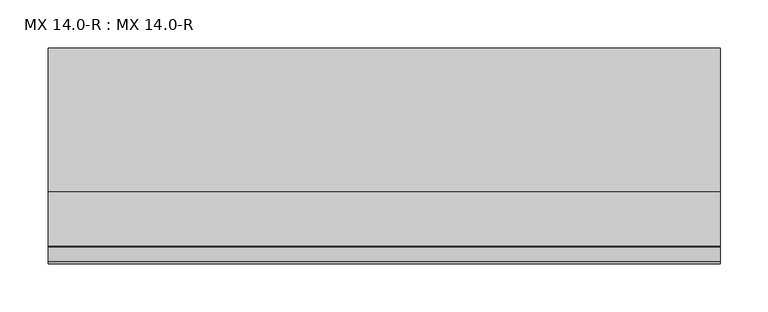
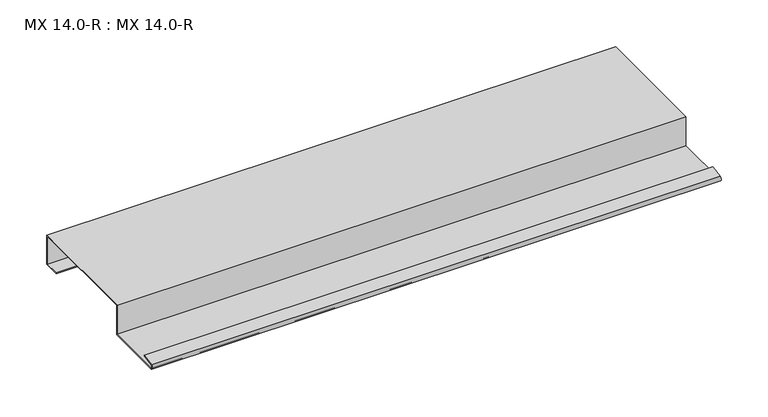
"""IFC4 building model written with IfcOpenShell, lengths in millimetres: proxy geometry, MX 14.0-R : MX 14.0-R."""

from ifc_helpers import new_model, si_unit, point, frame, frame_2d, origin, place, context, project, spatial, polyline, circle_curve, trimmed, segment, composite_curve, outline, extrude, source, transform, mapped, element, save


def mx_14_0_r_mx_14_0_r_a621414e(model_context):
    return source(origin(), model_context, "Body", "SweptSolid", [
        extrude(outline(composite_curve([segment(polyline([(-223.163909, 5.2131944), (-207.4140687, 8.2359048), (-207.1307182, 7.2866995), (-222.807341, 4.278041)]), True, "CONTINUOUS"), segment(trimmed(circle_curve(frame_2d((-221.9419644, 2.4153551)), 2.0538928), [point((-222.807341, 4.278041))], [point((-222.6835104, 0.5))], True, "CARTESIAN"), True, "CONTINUOUS"), segment(polyline([(-222.6835104, 0.5), (-150.0, 0.5), (-150.0, 38.5), (0.0, 38.5), (0.0, 0.5), (-20.0, 0.5), (-20.0, 1.5), (-1.0, 1.5), (-1.0, 37.5), (-149.0, 37.5), (-149.0, -0.5), (-222.7963586, -0.5)]), True, "CONTINUOUS"), segment(trimmed(circle_curve(frame_2d((-221.9700946, 2.4215767)), 3.0361691), [point((-222.7963586, -0.5))], [point((-223.163909, 5.2131944))], False, "CARTESIAN"), True, "CONTINUOUS")], self_intersect=False)), frame((0.0, 0.0, 0.0), z_axis=(1.0, 0.0, 0.0), x_axis=(0.0, 1.0, 0.0)), (0.0, 0.0, 1.0), 700.0),
    ])


if __name__ == "__main__":
    model = new_model("IFC4")
    model_context = context("Model", 3, world=origin())
    ifc_project = project(units=[si_unit("LENGTHUNIT", "METRE", prefix="MILLI")], contexts=[model_context])
    site = spatial("IfcSite", under=ifc_project)
    building = spatial("IfcBuilding", under=site)
    placement = place(None, origin())
    mx_14_0_r_mx_14_0_r_shape = mx_14_0_r_mx_14_0_r_a621414e(model_context)
    element("IfcBuildingElementProxy", 1, Name="MX 14.0-R : MX 14.0-R", ObjectType="MX 14.0-R : MX 14.0-R", at=placement, inside=building, context=model_context, shape_type="MappedRepresentation", body=[
        mapped(mx_14_0_r_mx_14_0_r_shape, transform((0.0, 0.0, 0.0), x_axis=(1.0, 0.0, 0.0), y_axis=(0.0, 1.0, 0.0), z_axis=(0.0, 0.0, 1.0))),
    ])
    save(model, "model.ifc")
